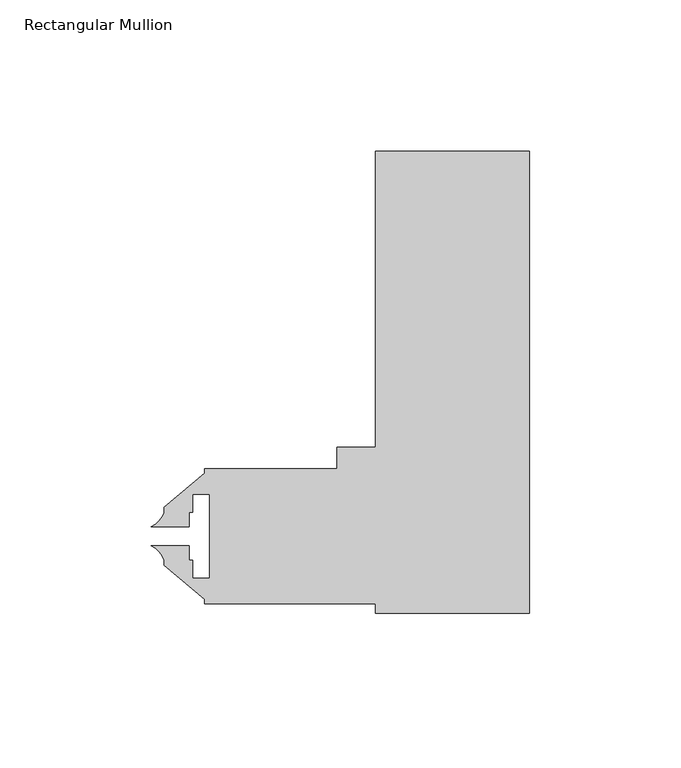
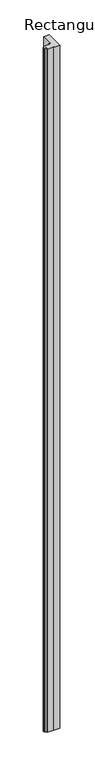
"""IFC4 building model written with IfcOpenShell, lengths in millimetres: member geometry, Rectangular Mullion."""

from ifc_helpers import new_model, si_unit, point, frame, frame_2d, origin, place, context, project, spatial, polyline, circle_curve, trimmed, segment, composite_curve, outline, extrude, source, transform, mapped, element, save


def rectangular_mullion_31eb168c(model_context):
    return source(origin(), model_context, "Body", "SweptSolid", [
        extrude(outline(composite_curve([segment(polyline([(0.0, 152.4), (0.0, 8.2831952), (0.0, 0.0), (-50.8, 0.0), (-50.8, 3.175), (-107.15625, 3.175), (-107.15625, 4.5691667), (-120.61825, 15.865126), (-120.61825, 17.5532603)]), True, "CONTINUOUS"), segment(trimmed(circle_curve(frame_2d((-127.9942524, 15.1631039)), 7.7535965), [point((-120.61825, 17.5532603))], [point((-124.8160731, 22.2354045))], True, "CARTESIAN"), True, "CONTINUOUS"), segment(polyline([(-124.8160731, 22.2354045), (-112.32348, 22.2354045), (-112.32348, 17.47266), (-111.19485, 17.47266), (-111.19485, 11.50366), (-105.58145, 11.50366), (-105.58145, 39.29126), (-111.19485, 39.29126), (-111.19485, 33.32226), (-112.32348, 33.32226), (-112.32348, 28.5595221), (-124.8160584, 28.5595221)]), True, "CONTINUOUS"), segment(trimmed(circle_curve(frame_2d((-127.9942524, 35.6318161)), 7.7535965), [point((-124.8160584, 28.5595221))], [point((-120.61825, 33.2416597))], True, "CARTESIAN"), True, "CONTINUOUS"), segment(polyline([(-120.61825, 33.2416597), (-120.61825, 34.929794), (-107.15625, 46.2257533), (-107.15625, 47.625), (-63.5, 47.625), (-63.5, 54.7878), (-50.8, 54.7878), (-50.8, 152.4), (0.0, 152.4)]), True, "CONTINUOUS")], self_intersect=False)), frame((0.0, 0.0, -6199.4874735), z_axis=(0.0, 0.0, 1.0), x_axis=(1.0, 0.0, 0.0)), (0.0, 0.0, 1.0), 6199.4874735),
    ])


if __name__ == "__main__":
    model = new_model("IFC4")
    model_context = context("Model", 3, world=origin())
    ifc_project = project(units=[si_unit("LENGTHUNIT", "METRE", prefix="MILLI")], contexts=[model_context])
    site = spatial("IfcSite", under=ifc_project)
    building = spatial("IfcBuilding", under=site)
    placement = place(None, origin())
    rectangular_mullion_shape = rectangular_mullion_31eb168c(model_context)
    element("IfcMember", 1, ObjectType="Rectangular Mullion", at=placement, inside=building, context=model_context, shape_type="MappedRepresentation", body=[
        mapped(rectangular_mullion_shape, transform((0.0, 0.0, 0.0), x_axis=(1.0, 0.0, 0.0), y_axis=(0.0, 1.0, 0.0), z_axis=(0.0, 0.0, 1.0))),
    ])
    save(model, "model.ifc")
